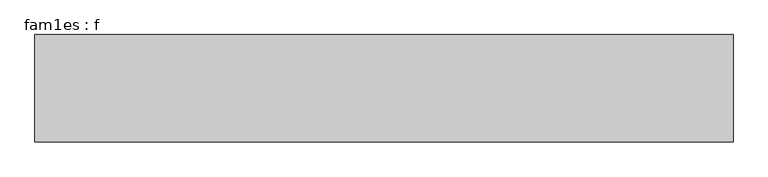
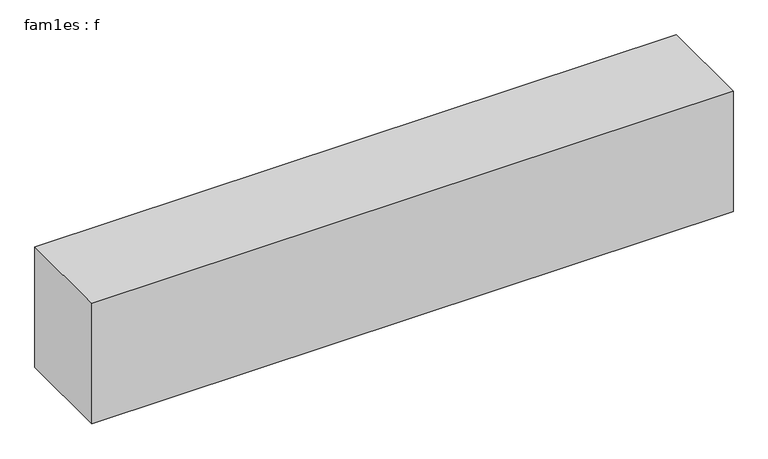
"""IFC4 building model written with IfcOpenShell, lengths in millimetres: proxy geometry, fam1es : f."""

from ifc_helpers import new_model, si_unit, frame, origin, place, context, project, spatial, polyline, outline, extrude, source, transform, mapped, element, save


def fam1es_f_862266e0(model_context):
    return source(origin(), model_context, "Body", "SweptSolid", [
        extrude(outline(polyline([(65000.0, 10000.0), (65000.0, 0.0), (0.0, 0.0), (0.0, 10000.0), (65000.0, 10000.0)])), frame((0.0, 0.0, -2900.0), z_axis=(0.0, 0.0, 1.0), x_axis=(1.0, 0.0, 0.0)), (0.0, 0.0, 1.0), 12900.0),
    ])


if __name__ == "__main__":
    model = new_model("IFC4")
    model_context = context("Model", 3, world=origin())
    ifc_project = project(units=[si_unit("LENGTHUNIT", "METRE", prefix="MILLI")], contexts=[model_context])
    site = spatial("IfcSite", under=ifc_project)
    building = spatial("IfcBuilding", under=site)
    placement = place(None, origin())
    fam1es_f_shape = fam1es_f_862266e0(model_context)
    element("IfcBuildingElementProxy", 1, Name="fam1es : f", ObjectType="fam1es : f", at=placement, inside=building, context=model_context, shape_type="MappedRepresentation", body=[
        mapped(fam1es_f_shape, transform((0.0, 0.0, 0.0), x_axis=(1.0, 0.0, 0.0), y_axis=(0.0, 1.0, 0.0), z_axis=(0.0, 0.0, 1.0))),
    ])
    save(model, "model.ifc")
